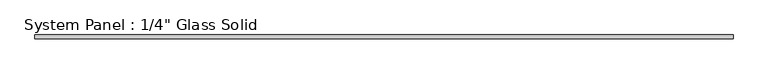
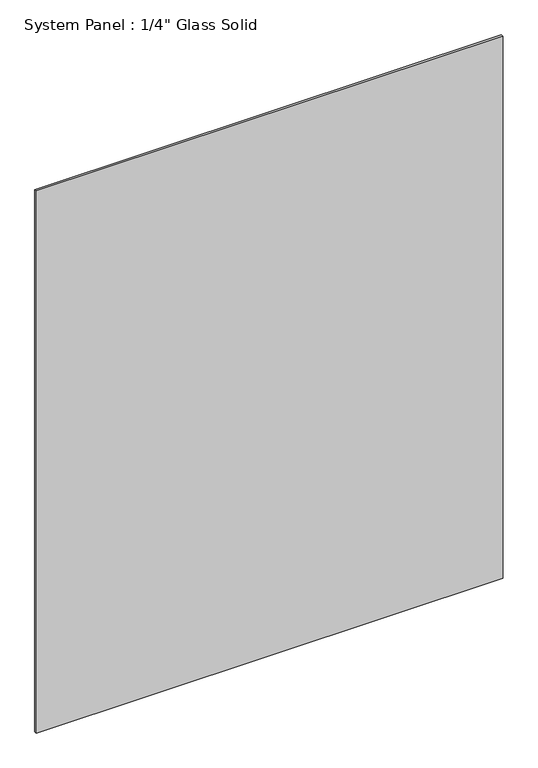
"""IFC4 building model written with IfcOpenShell, lengths in millimetres: plate geometry."""

from ifc_helpers import new_model, si_unit, origin, origin_with_axes, place, context, project, spatial, polyline, outline, extrude, source, transform, mapped, element, save


def plate_247bd9db(model_context):
    return source(origin(), model_context, "Body", "SweptSolid", [
        extrude(outline(polyline([(571.5008852, -3.175), (-571.5008852, -3.175), (-571.5008852, 3.175), (571.5008852, 3.175), (571.5008852, -3.175)])), origin_with_axes(), (0.0, 0.0, 1.0), 1403.2394027),
    ])


if __name__ == "__main__":
    model = new_model("IFC4")
    model_context = context("Model", 3, world=origin())
    ifc_project = project(units=[si_unit("LENGTHUNIT", "METRE", prefix="MILLI")], contexts=[model_context])
    site = spatial("IfcSite", under=ifc_project)
    building = spatial("IfcBuilding", under=site)
    placement = place(None, origin())
    plate_shape = plate_247bd9db(model_context)
    element("IfcPlate", 1, ObjectType="System Panel : 1/4\" Glass Solid", at=placement, inside=building, context=model_context, shape_type="MappedRepresentation", body=[
        mapped(plate_shape, transform((0.0, 0.0, 0.0), x_axis=(1.0, 0.0, 0.0), y_axis=(0.0, 1.0, 0.0), z_axis=(0.0, 0.0, 1.0))),
    ])
    save(model, "model.ifc")
